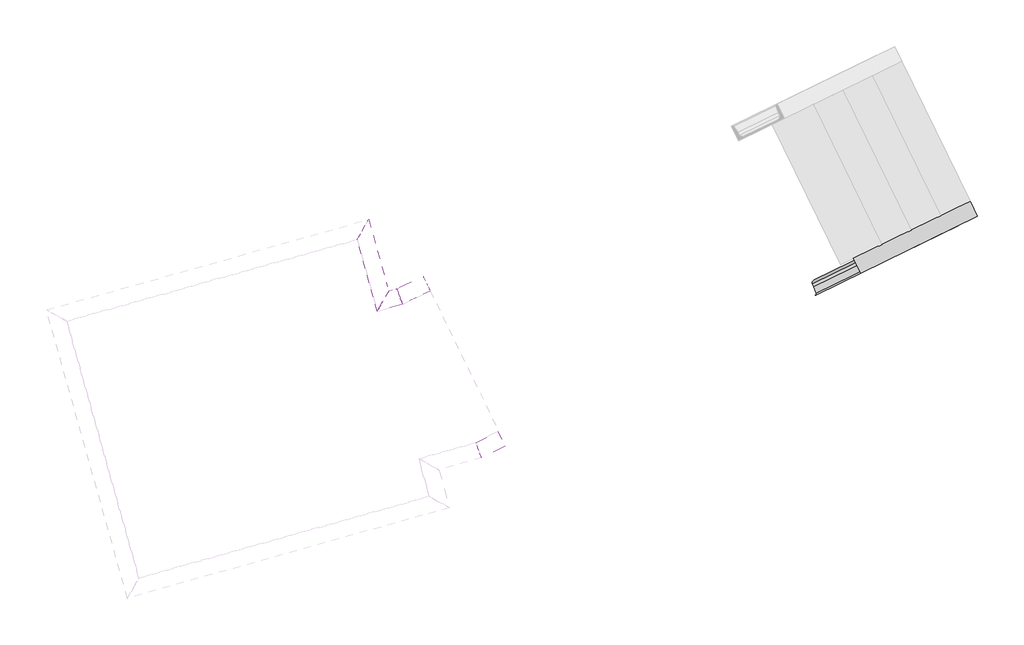
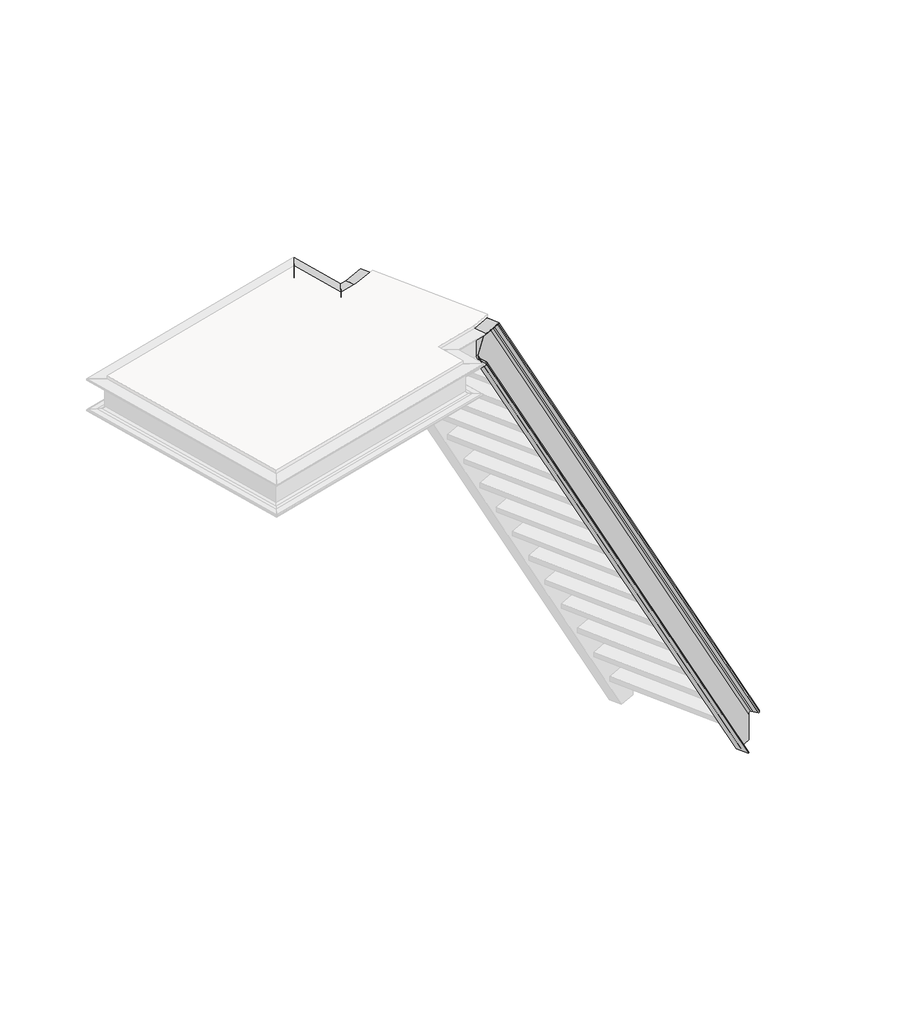
# One storey, part 2 of 4: 5 members.
"""IFC4 building model written with IfcOpenShell, lengths in millimetres."""

from ifc_helpers import new_model, si_unit, frame, origin, place, context, project, spatial, polyline, ellipse_curve, element, save
from ifc_brep_helpers import plane_surface, cylinder_surface, revolved_surface, advanced_brep

model = new_model("IFC4")

# Units and contexts
model_context = context("Model", 3, world=origin())
ifc_project = project(units=[si_unit("LENGTHUNIT", "METRE", prefix="MILLI")], contexts=[model_context])

# Site, building, storey
site = spatial("IfcSite", under=ifc_project)
building = spatial("IfcBuilding", under=site)
storey = spatial("IfcBuildingStorey", under=building, Elevation=11092.3025218)

# Members
placement = place(None, origin())
element("IfcMember", 1, ObjectType="UPN100", at=placement, inside=storey, context=model_context, shape_type="AdvancedBrep", body=[
    advanced_brep(
    [(-129173.4753916, 21787.3770647, 11129.5), (-129169.3108657, 21778.8385213, 11129.5), (-129232.4525793, 21748.0422498, 11129.5), (-129240.9527576, 21730.5860316, 11129.5), (-129235.2834825, 21715.5086718, 11129.5), (-129224.1411467, 21685.8757814, 11129.5), (-129228.3912358, 21677.1476723, 11129.5), (-129232.633026, 21675.078813, 11129.5), (-129265.510862, 21742.4883665, 11129.5), (-129173.4753916, 21787.3770647, 11342.7513594), (-129140.5975556, 21719.9675112, 11342.7513594), (-129140.5975556, 21719.9675112, 11335.2192412), (-129143.219741, 21725.3437881, 11323.0161897), (-129157.0364736, 21753.672288, 11318.2672814), (-129164.0664948, 21768.0859676, 11315.8510136), (-129169.3108657, 21778.8385213, 11291.4449106), (-131334.0422967, 20733.5981753, 15179.2554291), (-131301.1644607, 20666.1886218, 15179.2554291), (-131303.1540414, 20665.2182385, 15175.256196), (-131308.999617, 20669.0223629, 15168.7768966), (-131324.0707558, 20696.739048, 15166.2554291), (-131331.7390252, 20710.8414332, 15164.9724941), (-131343.4301764, 20718.449682, 15152.0138955), (-131415.8234755, 20683.1411108, 15006.4969628), (-131417.0258851, 20669.2442522, 14993.5383642), (-131433.540407, 20685.0697044, 14979.2554291), (-131400.662571, 20617.6601509, 14979.2554291), (-131398.6729903, 20618.6305343, 14983.2546623), (-131398.0717855, 20625.5789636, 14989.7339616), (-131410.6341119, 20654.5192783, 14992.2554291)],
    [
        (0, 1),
        (1, 2),
        (2, 3, ellipse_curve(frame((-129226.7537544, 21736.3579272, 11129.5), z_axis=(0.0, 0.0, 1.0), x_axis=(-0.8987940462991676, -0.4383711467890764, 0.0)), 15.341069, 13.0)),
        (3, 4),
        (4, 5),
        (5, 6, ellipse_curve(frame((-129231.2406482, 21682.9898336, 11129.5), z_axis=(0.0, 0.0, -1.0), x_axis=(0.8987940462991676, 0.4383711467890764, 0.0)), 7.6705345, 6.5)),
        (6, 7),
        (7, 8),
        (8, 0),
        (9, 10),
        (10, 11),
        (11, 12, ellipse_curve(frame((-129143.446968, 21725.8096725, 11335.2192412), z_axis=(0.8987940462991675, 0.4383711467890764, 0.0), x_axis=(0.0, 0.0, -1.0)), 12.242039, 6.5)),
        (12, 13),
        (13, 14),
        (14, 15, ellipse_curve(frame((-129163.6120408, 21767.1541987, 11291.4449106), z_axis=(-0.8987940462991675, -0.4383711467890764, 0.0), x_axis=(0.0, 0.0, 1.0)), 24.484078, 13.0)),
        (15, 1),
        (0, 9),
        (9, 16),
        (16, 17),
        (17, 10),
        (17, 18),
        (18, 11),
        (18, 19, ellipse_curve(frame((-131306.0034538, 20671.0603998, 15175.256196), z_axis=(0.7863696226438806, 0.3835380916213769, -0.48427404313916433), x_axis=(-0.43526262675090727, -0.21229176765068733, -0.8749163680841997)), 7.4292815, 6.5)),
        (19, 12),
        (19, 20),
        (20, 13),
        (20, 21),
        (21, 14),
        (21, 22, ellipse_curve(frame((-131337.7313515, 20706.7653594, 15152.0138955), z_axis=(-0.7863696226438806, -0.3835380916213769, 0.48427404313916433), x_axis=(0.43526262675090727, 0.21229176765068733, 0.8749163680841997)), 14.858563, 13.0)),
        (22, 15),
        (22, 23),
        (23, 2),
        (23, 24, ellipse_curve(frame((-131410.1246506, 20671.4567882, 15006.4969628), z_axis=(-0.7863696226438806, -0.3835380916213769, 0.48427404313916433), x_axis=(0.43526262675090727, 0.21229176765068733, 0.8749163680841997)), 14.858563, 13.0)),
        (24, 3),
        (8, 25),
        (25, 16),
        (7, 26),
        (26, 25),
        (6, 27),
        (27, 26),
        (5, 28),
        (28, 27, ellipse_curve(frame((-131401.5224028, 20624.4726956, 14983.2546623), z_axis=(0.7863696226438806, 0.3835380916213769, -0.48427404313916433), x_axis=(-0.43526262675090727, -0.21229176765068733, -0.8749163680841997)), 7.4292815, 6.5)),
        (4, 29),
        (29, 28),
        (24, 29),
    ],
    [
        plane_surface(frame((0.0, 0.0, 11129.5), z_axis=(0.0, 0.0, -1.0), x_axis=(1.0, 0.0, 0.0))),
        plane_surface(frame((-129173.4753916, 21787.3770647, 11342.7513594), z_axis=(0.8987940462991675, 0.4383711467890764, 0.0), x_axis=(0.4383711467890764, -0.8987940462991675, 0.0))),
        plane_surface(frame((-129173.4753916, 21787.3770647, 11342.7513594), z_axis=(0.7616367931190378, 0.37147508465494866, 0.5309573022832882), x_axis=(-0.47722126213128674, -0.2327563614979593, 0.8473985739615408))),
        plane_surface(frame((-129140.5975556, 21719.9675112, 11342.7513594), z_axis=(0.4383711467890764, -0.8987940462991676, 0.0), x_axis=(-0.47722126213128674, -0.2327563614979593, 0.8473985739615408))),
        cylinder_surface(frame((-129146.4929312, 21724.3240571, 11340.6279373), z_axis=(0.47722126213128685, 0.23275636149795934, -0.8473985739615411), x_axis=(0.4383711467890764, -0.8987940462991676, 0.0)), 6.5),
        plane_surface(frame((-129143.219741, 21725.3437881, 11323.0161897), z_axis=(-0.7242531875332158, -0.441966570988216, -0.5292663511663053), x_axis=(-0.47722126213128657, -0.23275636149795922, 0.8473985739615411))),
        plane_surface(frame((-129157.0364736, 21753.672288, 11318.2672814), z_axis=(-0.724253187533216, -0.44196657098821596, -0.5292663511663054), x_axis=(-0.47722126213128657, -0.23275636149795922, 0.8473985739615411))),
        revolved_surface(polyline([(-131335.46642770065, 20693.406211267342, 15158.111450558621), (-129148.01193754433, 21760.299052121303, 11273.863277529199)]), (-129184.3601951, 21757.0346476, 11328.2872682), (-0.47722126213128685, -0.23275636149795934, 0.8473985739615411)),
        plane_surface(frame((-129169.3108657, 21778.8385213, 11291.4449106), z_axis=(0.4383711467890764, -0.8987940462991676, 0.0), x_axis=(-0.47722126213128674, -0.2327563614979593, 0.8473985739615408))),
        revolved_surface(polyline([(-131407.85972686586, 20658.09764018064, 15012.59451785301), (-129217.1677463626, 21726.569510581976, 11122.597555067307)]), (-129295.1912451, 21702.9787328, 11251.0239902), (-0.47722126213128685, -0.23275636149795934, 0.8473985739615411)),
        plane_surface(frame((-129173.4753916, 21787.3770647, 10966.0732364), z_axis=(-0.4383711467890764, 0.8987940462991676, 0.0), x_axis=(-0.47722126213128674, -0.2327563614979593, 0.8473985739615408))),
        plane_surface(frame((-129140.5975556, 21719.9675112, 10966.0732364), z_axis=(-0.7616367931190378, -0.37147508465494866, -0.5309573022832882), x_axis=(-0.47722126213128674, -0.2327563614979593, 0.8473985739615408))),
        plane_surface(frame((-129140.5975556, 21719.9675112, 10973.6053547), z_axis=(0.4383711467890764, -0.8987940462991676, 0.0), x_axis=(-0.47722126213128674, -0.2327563614979593, 0.8473985739615408))),
        cylinder_surface(frame((-129292.7283635, 21653.0002711, 11238.683321), z_axis=(0.47722126213128685, 0.23275636149795934, -0.8473985739615411), x_axis=(0.4383711467890764, -0.8987940462991676, 0.0)), 6.5),
        plane_surface(frame((-129157.0364736, 21753.672288, 10990.5573144), z_axis=(0.794169196619416, 0.298617508970885, 0.5292663511663053), x_axis=(-0.47722126213128674, -0.2327563614979593, 0.8473985739615408))),
        plane_surface(frame((-129164.0664948, 21768.0859676, 10992.9735822), z_axis=(0.7941691966194164, 0.2986175089708852, 0.5292663511663052), x_axis=(-0.47722126213128657, -0.23275636149795922, 0.8473985739615411))),
        plane_surface(frame((-131325.2748737, 20715.6222944, 15179.2554291), z_axis=(-0.7863696226438806, -0.3835380916213769, 0.48427404313916433), x_axis=(-0.4383711467888165, 0.8987940462992943, 0.0))),
    ],
    [
        (0, [[1, 2, 3, 4, 5, 6, 7, 8, 9]]),
        (1, [[10, 11, 12, 13, 14, 15, 16, -1, 17]]),
        (2, [[-10, 18, 19, 20]]),
        (3, [[-11, -20, 21, 22]]),
        (4, [[-12, -22, 23, 24]]),
        (5, [[-13, -24, 25, 26]]),
        (6, [[-14, -26, 27, 28]]),
        (7, [[-15, -28, 29, 30]]),
        (8, [[-16, -30, 31, 32, -2]]),
        (9, [[-32, 33, 34, -3]]),
        (10, [[-17, -9, 35, 36, -18]]),
        (11, [[37, 38, -35, -8]]),
        (12, [[39, 40, -37, -7]]),
        (13, [[41, 42, -39, -6]]),
        (14, [[43, 44, -41, -5]]),
        (15, [[-34, 45, -43, -4]]),
        (16, [[-36, -38, -40, -42, -44, -45, -33, -31, -29, -27, -25, -23, -21, -19]]),
    ],
),
])
element("IfcMember", 2, ObjectType="UPN200", at=placement, inside=storey, context=model_context, shape_type="AdvancedBrep", body=[
    advanced_brep(
    [(-131643.2903544, 21376.4352925, 14979.2554291), (-131643.2903544, 21376.4352925, 15179.2554291), (-131770.1734446, 21317.2687359, 15179.2554291), (-131770.1734446, 21317.2687359, 14979.2554291), (-131676.1731987, 21443.8551144, 14979.2554291), (-131796.329656, 21387.8252381, 14979.2554291), (-131676.1731987, 21443.8551144, 14983.2546623), (-131796.329656, 21387.8252381, 14983.2546623), (-131673.5506138, 21438.4780186, 14989.7339616), (-131794.2435566, 21382.1979751, 14989.7339616), (-131659.7317765, 21410.1452035, 14992.2554291), (-131783.2515503, 21352.546987, 14992.2554291), (-131652.7006844, 21395.7293282, 14993.5383642), (-131777.6587637, 21337.4604189, 14993.5383642), (-131647.4555147, 21384.9751366, 15006.4969628), (-131773.4865647, 21326.2058928, 15006.4969628), (-131647.4555147, 21384.9751366, 15152.0138955), (-131773.4865647, 21326.2058928, 15152.0138955), (-131652.7006844, 21395.7293282, 15164.9724941), (-131777.6587637, 21337.4604189, 15164.9724941), (-131659.7317765, 21410.1452035, 15166.2554291), (-131783.2515503, 21352.546987, 15166.2554291), (-131673.5506138, 21438.4780186, 15168.7768966), (-131794.2435566, 21382.1979751, 15168.7768966), (-131676.1731987, 21443.8551144, 15175.256196), (-131796.329656, 21387.8252381, 15175.256196), (-131676.1731987, 21443.8551144, 15179.2554291), (-131796.329656, 21387.8252381, 15179.2554291)],
    [
        (0, 1),
        (1, 2),
        (2, 3),
        (3, 0),
        (4, 0),
        (3, 5),
        (5, 4),
        (6, 4),
        (5, 7),
        (7, 6),
        (8, 6, ellipse_curve(frame((-131673.3233522, 21438.0120631, 14983.2546623), z_axis=(-0.8987940462991676, -0.4383711467890764, 0.0), x_axis=(0.4383711467890659, -0.8987940462991727, 0.0)), 6.5009901, 6.5)),
        (7, 9, ellipse_curve(frame((-131794.0627844, 21381.7103413, 14983.2546623), z_axis=(0.9376440894243186, 0.3475968376836019, 0.0), x_axis=(-0.3475968376836024, 0.9376440894243184, 0.0)), 6.5215543, 6.5)),
        (9, 8),
        (10, 8),
        (9, 11),
        (11, 10),
        (12, 10),
        (11, 13),
        (13, 12),
        (14, 12, ellipse_curve(frame((-131653.1552077, 21396.6612391, 15006.4969628), z_axis=(0.8987940462991676, 0.4383711467890764, 0.0), x_axis=(-0.4383711467890659, 0.8987940462991727, 0.0)), 13.0019803, 13.0)),
        (13, 15, ellipse_curve(frame((-131778.020308, 21338.4356866, 15006.4969628), z_axis=(-0.9376440894243186, -0.3475968376836019, 0.0), x_axis=(0.3475968376836024, -0.9376440894243184, 0.0)), 13.0431086, 13.0)),
        (15, 14),
        (16, 14),
        (15, 17),
        (17, 16),
        (18, 16, ellipse_curve(frame((-131653.1552077, 21396.6612391, 15152.0138955), z_axis=(0.8987940462991676, 0.4383711467890764, 0.0), x_axis=(-0.4383711467890659, 0.8987940462991727, 0.0)), 13.0019803, 13.0)),
        (17, 19, ellipse_curve(frame((-131778.020308, 21338.4356866, 15152.0138955), z_axis=(-0.9376440894243186, -0.3475968376836019, 0.0), x_axis=(0.3475968376836024, -0.9376440894243184, 0.0)), 13.0431086, 13.0)),
        (19, 18),
        (20, 18),
        (19, 21),
        (21, 20),
        (22, 20),
        (21, 23),
        (23, 22),
        (24, 22, ellipse_curve(frame((-131673.3233522, 21438.0120631, 15175.256196), z_axis=(-0.8987940462991676, -0.4383711467890764, 0.0), x_axis=(0.4383711467890659, -0.8987940462991727, 0.0)), 6.5009901, 6.5)),
        (23, 25, ellipse_curve(frame((-131794.0627844, 21381.7103413, 15175.256196), z_axis=(0.9376440894243186, 0.3475968376836019, 0.0), x_axis=(-0.3475968376836024, 0.9376440894243184, 0.0)), 6.5215543, 6.5)),
        (25, 24),
        (26, 24),
        (25, 27),
        (27, 26),
        (1, 26),
        (27, 2),
    ],
    [
        plane_surface(frame((-131643.2903544, 21376.4352925, 15179.2554291), z_axis=(0.4226182617407263, -0.9063077870366375, 0.0), x_axis=(-0.9063077870366375, -0.4226182617407263, 0.0))),
        plane_surface(frame((-131643.2903544, 21376.4352925, 14979.2554291), z_axis=(0.0, 0.0, -1.0000000000000002), x_axis=(-0.9063077870366375, -0.4226182617407263, 0.0))),
        plane_surface(frame((-131674.9867241, 21444.4083766, 14979.2554291), z_axis=(-0.4226182617407263, 0.9063077870366375, 0.0), x_axis=(-0.9063077870366375, -0.4226182617407263, 0.0))),
        cylinder_surface(frame((-131672.2397054, 21438.5173759, 14983.2546623), z_axis=(0.9063077870366391, 0.4226182617407231, 0.0), x_axis=(-0.4226182617407231, 0.9063077870366391, 0.0)), 6.5),
        plane_surface(frame((-131672.458767, 21438.9871551, 14989.7339616), z_axis=(-0.03370178722332417, 0.07227371593395371, 0.996815278536125), x_axis=(-0.9063077870366375, -0.4226182617407263, 0.0))),
        plane_surface(frame((-131659.1385392, 21410.4218345, 14992.2554291), z_axis=(-0.033701787223324134, 0.07227371593395364, 0.996815278536125), x_axis=(-0.9063077870366375, -0.4226182617407263, 0.0))),
        revolved_surface(polyline([(-131784.4746395057, 21349.76989526396, 15006.4969628), (-131658.44358947992, 21408.5391390563, 15006.4969628)]), (-131652.7992653, 21396.8272177, 15006.4969628), (-0.9063077870366391, -0.4226182617407231, 0.0)),
        plane_surface(frame((-131647.3052279, 21385.0452165, 15006.4969628), z_axis=(-0.4226182617407263, 0.9063077870366375, 0.0), x_axis=(-0.9063077870366375, -0.4226182617407263, 0.0))),
        revolved_surface(polyline([(-131784.4746395057, 21349.76989526396, 15152.0138955), (-131658.44358947992, 21408.5391390563, 15152.0138955)]), (-131652.7992653, 21396.8272177, 15152.0138955), (-0.9063077870366391, -0.4226182617407231, 0.0)),
        plane_surface(frame((-131652.3611421, 21395.8876594, 15164.9724941), z_axis=(-0.0337017872233215, 0.07227371593394798, -0.9968152785361253), x_axis=(-0.9063077870366375, -0.4226182617407263, 0.0))),
        plane_surface(frame((-131659.1385392, 21410.4218345, 15166.2554291), z_axis=(-0.0337017872233216, 0.0722737159339482, -0.9968152785361253), x_axis=(-0.9063077870366375, -0.4226182617407263, 0.0))),
        cylinder_surface(frame((-131672.2397054, 21438.5173759, 15175.256196), z_axis=(0.9063077870366391, 0.4226182617407231, 0.0), x_axis=(-0.4226182617407231, 0.9063077870366391, 0.0)), 6.5),
        plane_surface(frame((-131674.9867241, 21444.4083766, 15175.256196), z_axis=(-0.4226182617407263, 0.9063077870366375, 0.0), x_axis=(-0.9063077870366375, -0.4226182617407263, 0.0))),
        plane_surface(frame((-131674.9867241, 21444.4083766, 15179.2554291), z_axis=(0.0, 0.0, 1.0000000000000002), x_axis=(-0.9063077870366375, -0.4226182617407263, 0.0))),
        plane_surface(frame((-131643.2903544, 21376.4352925, 15173.1094103), z_axis=(0.8987940462991676, 0.4383711467890764, 0.0), x_axis=(0.4383711467890764, -0.8987940462991676, 0.0))),
        plane_surface(frame((-131770.1734446, 21317.2687359, 15179.2554291), z_axis=(-0.9376440894243186, -0.3475968376836019, 0.0), x_axis=(-0.3475968376836019, 0.9376440894243186, 0.0))),
    ],
    [
        (0, [[1, 2, 3, 4]]),
        (1, [[5, -4, 6, 7]]),
        (2, [[8, -7, 9, 10]]),
        (3, [[11, -10, 12, 13]]),
        (4, [[14, -13, 15, 16]]),
        (5, [[17, -16, 18, 19]]),
        (6, [[20, -19, 21, 22]]),
        (7, [[23, -22, 24, 25]]),
        (8, [[26, -25, 27, 28]]),
        (9, [[29, -28, 30, 31]]),
        (10, [[32, -31, 33, 34]]),
        (11, [[35, -34, 36, 37]]),
        (12, [[38, -37, 39, 40]]),
        (13, [[41, -40, 42, -2]]),
        (14, [[-1, -5, -8, -11, -14, -17, -20, -23, -26, -29, -32, -35, -38, -41]]),
        (15, [[-42, -39, -36, -33, -30, -27, -24, -21, -18, -15, -12, -9, -6, -3]]),
    ],
),
])
element("IfcMember", 3, ObjectType="UPN200", at=placement, inside=storey, context=model_context, shape_type="AdvancedBrep", body=[
    advanced_brep(
    [(-131770.1734446, 21317.2687359, 14979.2554291), (-131770.1734446, 21317.2687359, 15179.2554291), (-131885.7073323, 21284.8354075, 15179.2554291), (-131885.7073323, 21284.8354075, 14979.2554291), (-131796.329656, 21387.8252381, 14979.2554291), (-131833.7694828, 21377.3149176, 14979.2554291), (-131796.329656, 21387.8252381, 14983.2546623), (-131833.7694828, 21377.3149176, 14983.2546623), (-131794.2435566, 21382.1979751, 14989.7339616), (-131837.9118074, 21369.9391759, 14989.7339616), (-131783.2515503, 21352.546987, 14992.2554291), (-131859.7384075, 21331.0751625, 14992.2554291), (-131777.6587637, 21337.4604189, 14993.5383642), (-131870.8438886, 21311.300962, 14993.5383642), (-131773.4865647, 21326.2058928, 15006.4969628), (-131879.128538, 21296.5494788, 15006.4969628), (-131773.4865647, 21326.2058928, 15152.0138955), (-131879.128538, 21296.5494788, 15152.0138955), (-131777.6587637, 21337.4604189, 15164.9724941), (-131870.8438886, 21311.300962, 15164.9724941), (-131783.2515503, 21352.546987, 15166.2554291), (-131859.7384075, 21331.0751625, 15166.2554291), (-131794.2435566, 21382.1979751, 15168.7768966), (-131837.9118074, 21369.9391759, 15168.7768966), (-131796.329656, 21387.8252381, 15175.256196), (-131833.7694828, 21377.3149176, 15175.256196), (-131796.329656, 21387.8252381, 15179.2554291), (-131833.7694828, 21377.3149176, 15179.2554291)],
    [
        (0, 1),
        (1, 2),
        (2, 3),
        (3, 0),
        (4, 0),
        (3, 5),
        (5, 4),
        (6, 4),
        (5, 7),
        (7, 6),
        (8, 6, ellipse_curve(frame((-131794.0627844, 21381.7103413, 14983.2546623), z_axis=(-0.9376440894243186, -0.3475968376836019, 0.0), x_axis=(0.3475968376836027, -0.9376440894243185, 0.0)), 6.5215543, 6.5)),
        (7, 9, ellipse_curve(frame((-131838.270763, 21369.3000267, 14983.2546623), z_axis=(0.8719051825353673, -0.48967474170919617, 0.0), x_axis=(0.489674741709196, 0.8719051825353673, 0.0)), 9.1923882, 6.5)),
        (9, 8),
        (10, 8),
        (9, 11),
        (11, 10),
        (12, 10),
        (11, 13),
        (13, 12),
        (14, 12, ellipse_curve(frame((-131778.020308, 21338.4356866, 15006.4969628), z_axis=(0.9376440894243186, 0.3475968376836019, 0.0), x_axis=(-0.3475968376836027, 0.9376440894243185, 0.0)), 13.0431086, 13.0)),
        (13, 15, ellipse_curve(frame((-131870.1259774, 21312.5792605, 15006.4969628), z_axis=(-0.8719051825353673, 0.48967474170919617, 0.0), x_axis=(-0.489674741709196, -0.8719051825353673, 0.0)), 18.3847763, 13.0)),
        (15, 14),
        (16, 14),
        (15, 17),
        (17, 16),
        (18, 16, ellipse_curve(frame((-131778.020308, 21338.4356866, 15152.0138955), z_axis=(0.9376440894243186, 0.3475968376836019, 0.0), x_axis=(-0.3475968376836027, 0.9376440894243185, 0.0)), 13.0431086, 13.0)),
        (17, 19, ellipse_curve(frame((-131870.1259774, 21312.5792605, 15152.0138955), z_axis=(-0.8719051825353673, 0.48967474170919617, 0.0), x_axis=(-0.489674741709196, -0.8719051825353673, 0.0)), 18.3847763, 13.0)),
        (19, 18),
        (20, 18),
        (19, 21),
        (21, 20),
        (22, 20),
        (21, 23),
        (23, 22),
        (24, 22, ellipse_curve(frame((-131794.0627844, 21381.7103413, 15175.256196), z_axis=(-0.9376440894243186, -0.3475968376836019, 0.0), x_axis=(0.3475968376836027, -0.9376440894243185, 0.0)), 6.5215543, 6.5)),
        (23, 25, ellipse_curve(frame((-131838.270763, 21369.3000267, 15175.256196), z_axis=(0.8719051825353673, -0.48967474170919617, 0.0), x_axis=(0.489674741709196, 0.8719051825353673, 0.0)), 9.1923882, 6.5)),
        (25, 24),
        (26, 24),
        (25, 27),
        (27, 26),
        (1, 26),
        (27, 2),
    ],
    [
        plane_surface(frame((-131770.1734446, 21317.2687359, 15179.2554291), z_axis=(0.2702777366842427, -0.9627823975607589, 0.0), x_axis=(-0.9627823975607589, -0.2702777366842427, 0.0))),
        plane_surface(frame((-131770.1734446, 21317.2687359, 14979.2554291), z_axis=(0.0, 0.0, -1.0), x_axis=(-0.9627823975607589, -0.2702777366842427, 0.0))),
        plane_surface(frame((-131790.4442749, 21389.4774157, 14979.2554291), z_axis=(-0.2702777366842427, 0.9627823975607589, 0.0), x_axis=(-0.9627823975607589, -0.2702777366842427, 0.0))),
        cylinder_surface(frame((-131788.6874696, 21383.2193301, 14983.2546623), z_axis=(0.9627823975607603, 0.27027773668423766, 0.0), x_axis=(-0.27027773668423766, 0.9627823975607603, 0.0)), 6.5),
        plane_surface(frame((-131788.8275664, 21383.7183825, 14989.7339616), z_axis=(-0.021553358190002214, 0.07677729630353956, 0.9968152785361247), x_axis=(-0.9627823975607589, -0.2702777366842427, 0.0))),
        plane_surface(frame((-131780.3088597, 21353.3730758, 14992.2554291), z_axis=(-0.021553358190002196, 0.07677729630353952, 0.9968152785361248), x_axis=(-0.9627823975607589, -0.2702777366842427, 0.0))),
        revolved_surface(polyline([(-131886.155759139, 21321.581821083877, 15006.4969628), (-131780.51378582523, 21351.238235158784, 15006.4969628)]), (-131776.2546937, 21338.9313398, 15006.4969628), (-0.9627823975607603, -0.27027773668423766, 0.0)),
        plane_surface(frame((-131772.7410831, 21326.4151687, 15006.4969628), z_axis=(-0.2702777366842427, 0.9627823975607589, 0.0), x_axis=(-0.9627823975607589, -0.2702777366842427, 0.0))),
        revolved_surface(polyline([(-131886.155759139, 21321.581821083877, 15152.0138955), (-131780.51378582523, 21351.238235158784, 15152.0138955)]), (-131776.2546937, 21338.9313398, 15152.0138955), (-0.9627823975607603, -0.27027773668423766, 0.0)),
        plane_surface(frame((-131775.9745, 21337.933235, 15164.9724941), z_axis=(-0.021553358190000513, 0.07677729630353351, -0.9968152785361254), x_axis=(-0.9627823975607589, -0.2702777366842427, 0.0))),
        plane_surface(frame((-131780.3088597, 21353.3730758, 15166.2554291), z_axis=(-0.02155335819000058, 0.07677729630353376, -0.9968152785361253), x_axis=(-0.9627823975607589, -0.2702777366842427, 0.0))),
        cylinder_surface(frame((-131788.6874696, 21383.2193301, 15175.256196), z_axis=(0.9627823975607603, 0.27027773668423766, 0.0), x_axis=(-0.27027773668423766, 0.9627823975607603, 0.0)), 6.5),
        plane_surface(frame((-131790.4442749, 21389.4774157, 15175.256196), z_axis=(-0.2702777366842427, 0.9627823975607589, 0.0), x_axis=(-0.9627823975607589, -0.2702777366842427, 0.0))),
        plane_surface(frame((-131790.4442749, 21389.4774157, 15179.2554291), z_axis=(0.0, 0.0, 1.0), x_axis=(-0.9627823975607589, -0.2702777366842427, 0.0))),
        plane_surface(frame((-131770.1734446, 21317.2687359, 15179.2554291), z_axis=(0.9376440894243186, 0.3475968376836019, 0.0), x_axis=(-0.3475968376836019, 0.9376440894243186, 0.0))),
        plane_surface(frame((-131885.7073323, 21284.8354075, 15179.2554291), z_axis=(-0.8719051825353673, 0.48967474170919617, 0.0), x_axis=(0.48967474170919617, 0.8719051825353673, 0.0))),
    ],
    [
        (0, [[1, 2, 3, 4]]),
        (1, [[5, -4, 6, 7]]),
        (2, [[8, -7, 9, 10]]),
        (3, [[11, -10, 12, 13]]),
        (4, [[14, -13, 15, 16]]),
        (5, [[17, -16, 18, 19]]),
        (6, [[20, -19, 21, 22]]),
        (7, [[23, -22, 24, 25]]),
        (8, [[26, -25, 27, 28]]),
        (9, [[29, -28, 30, 31]]),
        (10, [[32, -31, 33, 34]]),
        (11, [[35, -34, 36, 37]]),
        (12, [[38, -37, 39, 40]]),
        (13, [[41, -40, 42, -2]]),
        (14, [[-1, -5, -8, -11, -14, -17, -20, -23, -26, -29, -32, -35, -38, -41]]),
        (15, [[-42, -39, -36, -33, -30, -27, -24, -21, -18, -15, -12, -9, -6, -3]]),
    ],
),
])
element("IfcMember", 4, ObjectType="UPN200", at=placement, inside=storey, context=model_context, shape_type="AdvancedBrep", body=[
    advanced_brep(
    [(-131885.7073323, 21284.8354075, 14979.2554291), (-131885.7073323, 21284.8354075, 15179.2554291), (-131977.6017628, 21612.1814227, 15179.2554291), (-131977.6017628, 21612.1814227, 14979.2554291), (-131833.7694828, 21377.3149176, 14979.2554291), (-131925.6639132, 21704.6609327, 14979.2554291), (-131833.7694828, 21377.3149176, 14983.2546623), (-131925.6639132, 21704.6609327, 14983.2546623), (-131837.9118074, 21369.9391759, 14989.7339616), (-131929.8062379, 21697.2851911, 14989.7339616), (-131859.7384075, 21331.0751625, 14992.2554291), (-131951.632838, 21658.4211777, 14992.2554291), (-131870.8438886, 21311.300962, 14993.5383642), (-131962.7383191, 21638.6469772, 14993.5383642), (-131879.128538, 21296.5494788, 15006.4969628), (-131971.0229685, 21623.8954939, 15006.4969628), (-131879.128538, 21296.5494788, 15152.0138955), (-131971.0229685, 21623.8954939, 15152.0138955), (-131870.8438886, 21311.300962, 15164.9724941), (-131962.7383191, 21638.6469772, 15164.9724941), (-131859.7384075, 21331.0751625, 15166.2554291), (-131951.632838, 21658.4211777, 15166.2554291), (-131837.9118074, 21369.9391759, 15168.7768966), (-131929.8062379, 21697.2851911, 15168.7768966), (-131833.7694828, 21377.3149176, 15175.256196), (-131925.6639132, 21704.6609327, 15175.256196), (-131833.7694828, 21377.3149176, 15179.2554291), (-131925.6639132, 21704.6609327, 15179.2554291)],
    [
        (0, 1),
        (1, 2),
        (2, 3),
        (3, 0),
        (4, 0),
        (3, 5),
        (5, 4),
        (6, 4),
        (5, 7),
        (7, 6),
        (8, 6, ellipse_curve(frame((-131838.270763, 21369.3000267, 14983.2546623), z_axis=(-0.8719051825353673, 0.48967474170919617, 0.0), x_axis=(-0.48967474170919617, -0.8719051825353672, 0.0)), 9.1923882, 6.5)),
        (7, 9, ellipse_curve(frame((-131930.1651935, 21696.6460419, 14983.2546623), z_axis=(0.8719051825353304, -0.4896747417092616, 0.0), x_axis=(-0.48967474170926156, -0.8719051825353306, 0.0)), 9.1923882, 6.5)),
        (9, 8),
        (10, 8),
        (9, 11),
        (11, 10),
        (12, 10),
        (11, 13),
        (13, 12),
        (14, 12, ellipse_curve(frame((-131870.1259774, 21312.5792605, 15006.4969628), z_axis=(0.8719051825353673, -0.48967474170919617, 0.0), x_axis=(0.48967474170919617, 0.8719051825353672, 0.0)), 18.3847763, 13.0)),
        (13, 15, ellipse_curve(frame((-131962.0204079, 21639.9252757, 15006.4969628), z_axis=(-0.8719051825353304, 0.4896747417092616, 0.0), x_axis=(0.48967474170926156, 0.8719051825353306, 0.0)), 18.3847763, 13.0)),
        (15, 14),
        (16, 14),
        (15, 17),
        (17, 16),
        (18, 16, ellipse_curve(frame((-131870.1259774, 21312.5792605, 15152.0138955), z_axis=(0.8719051825353673, -0.48967474170919617, 0.0), x_axis=(0.48967474170919617, 0.8719051825353672, 0.0)), 18.3847763, 13.0)),
        (17, 19, ellipse_curve(frame((-131962.0204079, 21639.9252757, 15152.0138955), z_axis=(-0.8719051825353304, 0.4896747417092616, 0.0), x_axis=(0.48967474170926156, 0.8719051825353306, 0.0)), 18.3847763, 13.0)),
        (19, 18),
        (20, 18),
        (19, 21),
        (21, 20),
        (22, 20),
        (21, 23),
        (23, 22),
        (24, 22, ellipse_curve(frame((-131838.270763, 21369.3000267, 15175.256196), z_axis=(-0.8719051825353673, 0.48967474170919617, 0.0), x_axis=(-0.48967474170919617, -0.8719051825353672, 0.0)), 9.1923882, 6.5)),
        (23, 25, ellipse_curve(frame((-131930.1651935, 21696.6460419, 15175.256196), z_axis=(0.8719051825353304, -0.4896747417092616, 0.0), x_axis=(-0.48967474170926156, -0.8719051825353306, 0.0)), 9.1923882, 6.5)),
        (25, 24),
        (26, 24),
        (25, 27),
        (27, 26),
        (1, 26),
        (27, 2),
    ],
    [
        plane_surface(frame((-131885.7073323, 21284.8354075, 15179.2554291), z_axis=(-0.9627823975607597, -0.2702777366842398, 0.0), x_axis=(-0.2702777366842398, 0.9627823975607597, 0.0))),
        plane_surface(frame((-131885.7073323, 21284.8354075, 14979.2554291), z_axis=(0.0, 0.0, -1.0), x_axis=(-0.2702777366842398, 0.9627823975607597, 0.0))),
        plane_surface(frame((-131813.4986525, 21305.1062377, 14979.2554291), z_axis=(0.9627823975607597, 0.2702777366842398, 0.0), x_axis=(-0.2702777366842398, 0.9627823975607597, 0.0))),
        cylinder_surface(frame((-131819.7567381, 21303.3494324, 14983.2546623), z_axis=(0.27027773668425664, -0.962782397560755, 0.0), x_axis=(0.962782397560755, 0.27027773668425664, 0.0)), 6.5),
        plane_surface(frame((-131819.2576857, 21303.4895293, 14989.7339616), z_axis=(0.07677729630353963, 0.02155335819000198, 0.9968152785361247), x_axis=(-0.2702777366842398, 0.9627823975607597, 0.0))),
        plane_surface(frame((-131849.6029924, 21294.9708226, 14992.2554291), z_axis=(0.07677729630353958, 0.021553358190001967, 0.9968152785361248), x_axis=(-0.2702777366842398, 0.9627823975607597, 0.0))),
        revolved_surface(polyline([(-131953.01784734696, 21655.955057426443, 15006.4969628), (-131854.09619571504, 21303.576699899662, 15006.4969628)]), (-131864.0447284, 21290.9166566, 15006.4969628), (-0.27027773668425664, 0.962782397560755, 0.0)),
        plane_surface(frame((-131876.5608995, 21287.403046, 15006.4969628), z_axis=(0.9627823975607597, 0.2702777366842398, 0.0), x_axis=(-0.2702777366842398, 0.9627823975607597, 0.0))),
        revolved_surface(polyline([(-131953.01784734696, 21655.955057426443, 15152.0138955), (-131854.09619571504, 21303.576699899662, 15152.0138955)]), (-131864.0447284, 21290.9166566, 15152.0138955), (-0.27027773668425664, 0.962782397560755, 0.0)),
        plane_surface(frame((-131865.0428332, 21290.6364629, 15164.9724941), z_axis=(0.07677729630353358, 0.021553358190000284, -0.9968152785361253), x_axis=(-0.2702777366842398, 0.9627823975607597, 0.0))),
        plane_surface(frame((-131849.6029924, 21294.9708226, 15166.2554291), z_axis=(0.0767772963035338, 0.021553358190000347, -0.9968152785361252), x_axis=(-0.2702777366842398, 0.9627823975607597, 0.0))),
        cylinder_surface(frame((-131819.7567381, 21303.3494324, 15175.256196), z_axis=(0.27027773668425664, -0.962782397560755, 0.0), x_axis=(0.962782397560755, 0.27027773668425664, 0.0)), 6.5),
        plane_surface(frame((-131813.4986525, 21305.1062377, 15175.256196), z_axis=(0.9627823975607597, 0.2702777366842398, 0.0), x_axis=(-0.2702777366842398, 0.9627823975607597, 0.0))),
        plane_surface(frame((-131813.4986525, 21305.1062377, 15179.2554291), z_axis=(0.0, 0.0, 1.0), x_axis=(-0.2702777366842398, 0.9627823975607597, 0.0))),
        plane_surface(frame((-131885.7073323, 21284.8354075, 15179.2554291), z_axis=(0.8719051825353673, -0.48967474170919617, 0.0), x_axis=(0.48967474170919617, 0.8719051825353673, 0.0))),
        plane_surface(frame((-131977.6017628, 21612.1814227, 15179.2554291), z_axis=(-0.8719051825353304, 0.4896747417092616, 0.0), x_axis=(0.4896747417092616, 0.8719051825353304, 0.0))),
    ],
    [
        (0, [[1, 2, 3, 4]]),
        (1, [[5, -4, 6, 7]]),
        (2, [[8, -7, 9, 10]]),
        (3, [[11, -10, 12, 13]]),
        (4, [[14, -13, 15, 16]]),
        (5, [[17, -16, 18, 19]]),
        (6, [[20, -19, 21, 22]]),
        (7, [[23, -22, 24, 25]]),
        (8, [[26, -25, 27, 28]]),
        (9, [[29, -28, 30, 31]]),
        (10, [[32, -31, 33, 34]]),
        (11, [[35, -34, 36, 37]]),
        (12, [[38, -37, 39, 40]]),
        (13, [[41, -40, 42, -2]]),
        (14, [[-1, -5, -8, -11, -14, -17, -20, -23, -26, -29, -32, -35, -38, -41]]),
        (15, [[-42, -39, -36, -33, -30, -27, -24, -21, -18, -15, -12, -9, -6, -3]]),
    ],
),
])
element("IfcMember", 5, ObjectType="UPN200", at=placement, inside=storey, context=model_context, shape_type="AdvancedBrep", body=[
    advanced_brep(
    [(-131435.2738777, 20684.2242343, 14979.2554291), (-131435.2738777, 20684.2242343, 15179.2554291), (-131334.0422967, 20733.5981753, 15179.2554291), (-131433.540407, 20685.0697044, 14979.2554291), (-131408.4828729, 20613.8459348, 14979.2554291), (-131400.662571, 20617.6601509, 14979.2554291), (-131408.4828729, 20613.8459348, 14983.2546623), (-131398.6729903, 20618.6305343, 14983.2546623), (-131410.6196006, 20619.4589852, 14989.7339616), (-131398.0717855, 20625.5789636, 14989.7339616), (-131421.8783753, 20649.0350845, 14992.2554291), (-131410.6341119, 20654.5192783, 14992.2554291), (-131427.606895, 20664.0835488, 14993.5383642), (-131417.0258851, 20669.2442522, 14993.5383642), (-131431.8803504, 20675.3096497, 15006.4969628), (-131415.8234755, 20683.1411108, 15006.4969628), (-131431.8803504, 20675.3096497, 15152.0138955), (-131343.4301764, 20718.449682, 15152.0138955), (-131427.606895, 20664.0835488, 15164.9724941), (-131331.7390252, 20710.8414332, 15164.9724941), (-131421.8783753, 20649.0350845, 15166.2554291), (-131324.0707558, 20696.739048, 15166.2554291), (-131410.6196006, 20619.4589852, 15168.7768966), (-131308.999617, 20669.0223629, 15168.7768966), (-131408.4828729, 20613.8459348, 15175.256196), (-131303.1540414, 20665.2182385, 15175.256196), (-131408.4828729, 20613.8459348, 15179.2554291), (-131301.1644607, 20666.1886218, 15179.2554291)],
    [
        (0, 1),
        (1, 2),
        (2, 3),
        (3, 0),
        (4, 0),
        (3, 5),
        (5, 4),
        (6, 4),
        (5, 7),
        (7, 6),
        (8, 6, ellipse_curve(frame((-131410.80476, 20619.9453874, 14983.2546623), z_axis=(0.9345750706679827, 0.35576598669059856, 0.0), x_axis=(0.35576598669059895, -0.9345750706679826, 0.0)), 6.5264448, 6.5)),
        (7, 9, ellipse_curve(frame((-131401.5224028, 20624.4726956, 14983.2546623), z_axis=(-0.7863696226438817, -0.3835380916213775, 0.48427404313916256), x_axis=(-0.43526262675050603, -0.21229176765150454, -0.8749163680842009)), 7.4292815, 6.5)),
        (9, 8),
        (10, 8),
        (9, 11),
        (11, 10),
        (12, 10),
        (11, 13),
        (13, 12),
        (14, 12, ellipse_curve(frame((-131427.2365762, 20663.1107444, 15006.4969628), z_axis=(-0.9345750706679827, -0.35576598669059856, 0.0), x_axis=(-0.35576598669059895, 0.9345750706679826, 0.0)), 13.0528896, 13.0)),
        (13, 15, ellipse_curve(frame((-131410.1246506, 20671.4567882, 15006.4969628), z_axis=(0.7863696226438817, 0.3835380916213775, -0.48427404313916256), x_axis=(0.43526262675050603, 0.21229176765150454, 0.8749163680842009)), 14.858563, 13.0)),
        (15, 14),
        (16, 14),
        (15, 17),
        (17, 16),
        (18, 16, ellipse_curve(frame((-131427.2365762, 20663.1107444, 15152.0138955), z_axis=(-0.9345750706679827, -0.35576598669059856, 0.0), x_axis=(-0.35576598669059895, 0.9345750706679826, 0.0)), 13.0528896, 13.0)),
        (17, 19, ellipse_curve(frame((-131337.7313515, 20706.7653594, 15152.0138955), z_axis=(0.7863696226438817, 0.3835380916213775, -0.48427404313916256), x_axis=(0.43526262675050603, 0.21229176765150454, 0.8749163680842009)), 14.858563, 13.0)),
        (19, 18),
        (20, 18),
        (19, 21),
        (21, 20),
        (22, 20),
        (21, 23),
        (23, 22),
        (24, 22, ellipse_curve(frame((-131410.80476, 20619.9453874, 15175.256196), z_axis=(0.9345750706679827, 0.35576598669059856, 0.0), x_axis=(0.35576598669059895, -0.9345750706679826, 0.0)), 6.5264448, 6.5)),
        (23, 25, ellipse_curve(frame((-131306.0034538, 20671.0603998, 15175.256196), z_axis=(-0.7863696226438817, -0.3835380916213775, 0.48427404313916256), x_axis=(-0.43526262675050603, -0.21229176765150454, -0.8749163680842009)), 7.4292815, 6.5)),
        (25, 24),
        (26, 24),
        (25, 27),
        (27, 26),
        (1, 26),
        (27, 2),
    ],
    [
        plane_surface(frame((-131435.2738777, 20684.2242343, 15179.2554291), z_axis=(-0.4383711467890602, 0.8987940462991754, 0.0), x_axis=(0.8987940462991754, 0.4383711467890602, 0.0))),
        plane_surface(frame((-131435.2738777, 20684.2242343, 14979.2554291), z_axis=(0.0, 0.0, -1.0), x_axis=(0.8987940462991754, 0.4383711467890602, 0.0))),
        plane_surface(frame((-131402.3960417, 20616.8146808, 14979.2554291), z_axis=(0.4383711467890602, -0.8987940462991754, 0.0), x_axis=(0.8987940462991754, 0.4383711467890602, 0.0))),
        cylinder_surface(frame((-131405.2454541, 20622.6568421, 14983.2546623), z_axis=(-0.8987940462991683, -0.43837114678907485, 0.0), x_axis=(0.43837114678907485, -0.8987940462991683, 0.0)), 6.5),
        plane_surface(frame((-131405.0182271, 20622.1909576, 14989.7339616), z_axis=(0.03495800454310041, -0.07167453100866876, 0.9968152785361247), x_axis=(0.8987940462991754, 0.4383711467890602, 0.0))),
        plane_surface(frame((-131418.8349597, 20650.5194575, 14992.2554291), z_axis=(0.034958004543100385, -0.07167453100866869, 0.9968152785361247), x_axis=(0.8987940462991754, 0.4383711467890602, 0.0))),
        revolved_surface(polyline([(-131397.958448537, 20662.926816215302, 15006.4969628), (-131422.59280206333, 20650.91183920228, 15006.4969628)]), (-131425.4105269, 20664.0013682, 15006.4969628), (0.8987940462991683, 0.43837114678907485, 0.0)),
        plane_surface(frame((-131431.1093518, 20675.6856908, 15006.4969628), z_axis=(0.4383711467890602, -0.8987940462991754, 0.0), x_axis=(0.8987940462991754, 0.4383711467890602, 0.0))),
        revolved_surface(polyline([(-131325.5651494232, 20698.235387386918, 15152.0138955), (-131422.59280206333, 20650.91183920228, 15152.0138955)]), (-131425.4105269, 20664.0013682, 15152.0138955), (0.8987940462991683, 0.43837114678907485, 0.0)),
        plane_surface(frame((-131425.8649809, 20664.9331371, 15164.9724941), z_axis=(0.03495800454310005, -0.07167453100866192, -0.9968152785361253), x_axis=(0.8987940462991607, 0.4383711467890903, 0.0))),
        plane_surface(frame((-131418.8349597, 20650.5194575, 15166.2554291), z_axis=(0.03495800454309776, -0.07167453100866332, -0.9968152785361253), x_axis=(0.8987940462991754, 0.4383711467890602, 0.0))),
        cylinder_surface(frame((-131405.2454541, 20622.6568421, 15175.256196), z_axis=(-0.8987940462991683, -0.43837114678907485, 0.0), x_axis=(0.43837114678907485, -0.8987940462991683, 0.0)), 6.5),
        plane_surface(frame((-131402.3960417, 20616.8146808, 15175.256196), z_axis=(0.4383711467890602, -0.8987940462991754, 0.0), x_axis=(0.8987940462991754, 0.4383711467890602, 0.0))),
        plane_surface(frame((-131402.3960417, 20616.8146808, 15179.2554291), z_axis=(0.0, 0.0, 1.0), x_axis=(0.8987940462991754, 0.4383711467890602, 0.0))),
        plane_surface(frame((-131435.2738777, 20684.2242343, 15179.2554291), z_axis=(-0.9345750706679827, -0.35576598669059856, 0.0), x_axis=(0.35576598669059856, -0.9345750706679827, 0.0))),
        plane_surface(frame((-131334.0422967, 20733.5981753, 15179.2554291), z_axis=(0.7863696226438814, 0.38353809162137736, -0.48427404313916245), x_axis=(0.4383711467888165, -0.8987940462992943, 0.0))),
    ],
    [
        (0, [[1, 2, 3, 4]]),
        (1, [[5, -4, 6, 7]]),
        (2, [[8, -7, 9, 10]]),
        (3, [[11, -10, 12, 13]]),
        (4, [[14, -13, 15, 16]]),
        (5, [[17, -16, 18, 19]]),
        (6, [[20, -19, 21, 22]]),
        (7, [[23, -22, 24, 25]]),
        (8, [[26, -25, 27, 28]]),
        (9, [[29, -28, 30, 31]]),
        (10, [[32, -31, 33, 34]]),
        (11, [[35, -34, 36, 37]]),
        (12, [[38, -37, 39, 40]]),
        (13, [[41, -40, 42, -2]]),
        (14, [[-1, -5, -8, -11, -14, -17, -20, -23, -26, -29, -32, -35, -38, -41]]),
        (15, [[-42, -39, -36, -33, -30, -27, -24, -21, -18, -15, -12, -9, -6, -3]]),
    ],
),
])

save(model, "model.ifc")
